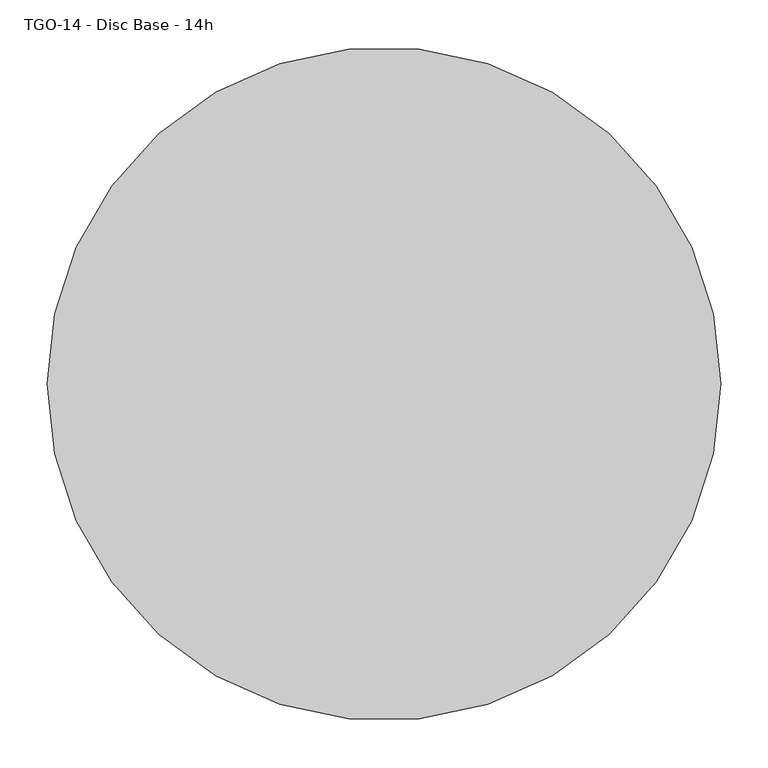
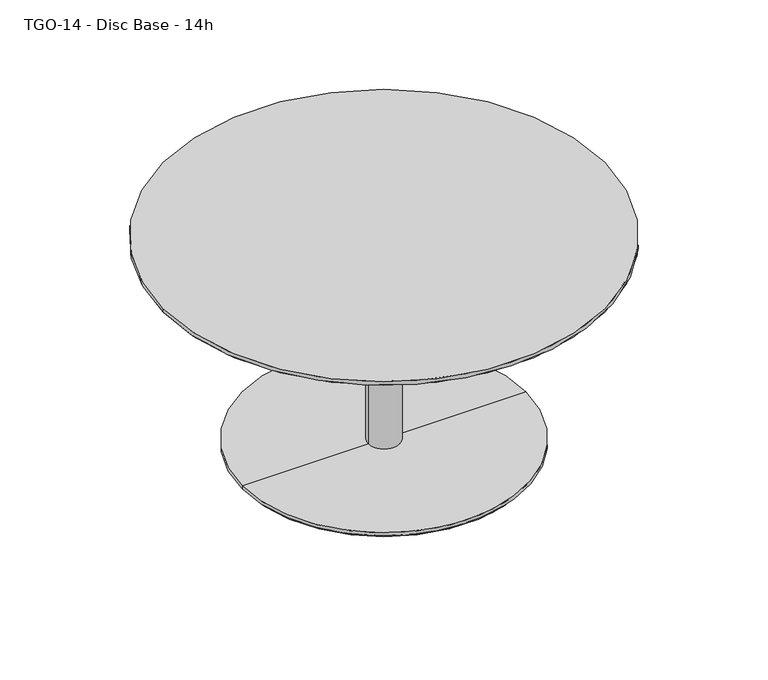
"""IFC4 building model written with IfcOpenShell, lengths in millimetres: furniture geometry, TGO-14 - Disc Base - 14h."""

from ifc_helpers import new_model, si_unit, point, frame, origin, origin_with_axes, origin_2d, place, context, project, spatial, polyline, circle_curve, trimmed, segment, composite_curve, outline, extrude, source, transform, mapped, element, save
from ifc_brep_helpers import plane_surface, cylinder_surface, revolved_surface, advanced_brep


def tgo_14_disc_base_14h_84f5ab08(model_context):
    return source(origin(), model_context, "Body", "SolidModel", [
        advanced_brep(
        [(-355.599986, 0.0, 349.25), (355.599986, 0.0, 349.25), (-317.499986, 0.0, 336.55), (317.499986, 0.0, 336.55)],
        [
            (0, 1, circle_curve(frame((0.0, 0.0, 349.25), z_axis=(0.0, 0.0, 1.0), x_axis=(-1.0, 0.0, 0.0)), 355.599986)),
            (1, 0, circle_curve(frame((0.0, 0.0, 349.25), z_axis=(0.0, 0.0, 1.0), x_axis=(1.0, 0.0, 0.0)), 355.599986)),
            (2, 3, circle_curve(frame((0.0, 0.0, 336.55), z_axis=(0.0, 0.0, -1.0), x_axis=(1.0, 0.0, 0.0)), 317.499986)),
            (3, 2, circle_curve(frame((0.0, 0.0, 336.55), z_axis=(0.0, 0.0, -1.0), x_axis=(-1.0, 0.0, 0.0)), 317.499986)),
            (3, 1),
            (0, 2),
        ],
        [
            plane_surface(frame((0.0, 0.0, 349.25), z_axis=(0.0, 0.0, 1.0), x_axis=(0.0, -1.0, 0.0))),
            plane_surface(frame((0.0, 0.0, 336.55), z_axis=(0.0, 0.0, -1.0), x_axis=(0.0, -1.0, 0.0))),
            revolved_surface(polyline([(317.49998601071434, 0.0, 336.55), (355.599986, 0.0, 349.25)]), (0.0, 0.0, 230.7166713), (0.0, 0.0, 1.0)),
            revolved_surface(polyline([(-317.49998601071434, 0.0, 336.55), (-355.599986, 0.0, 349.25)]), (0.0, 0.0, 230.7166713), (0.0, 0.0, 1.0)),
        ],
        [
            (0, [[1, 2]]),
            (1, [[3, 4]]),
            (2, [[-4, 5, -1, 6]]),
            (3, [[-3, -6, -2, -5]]),
        ],
    ),
        extrude(outline(composite_curve([segment(trimmed(circle_curve(origin_2d(), 355.599986), [point((-355.599986, 0.0))], [point((355.599986, 0.0))], False, "CARTESIAN"), True, "CONTINUOUS"), segment(trimmed(circle_curve(origin_2d(), 355.599986), [point((355.599986, 0.0))], [point((-355.599986, 0.0))], False, "CARTESIAN"), True, "CONTINUOUS")], self_intersect=False)), frame((0.0, 0.0, 349.25), z_axis=(0.0, 0.0, 1.0), x_axis=(1.0, 0.0, 0.0)), (0.0, 0.0, 1.0), 6.35),
        advanced_brep(
        [(-228.5999516, 0.0, 3.9999977), (228.5999516, 0.0, 3.9999977), (224.6000504, 0.0, 0.0), (-224.6000504, 0.0, 0.0), (-228.5999516, 0.0, 9.5249943), (228.5999516, 0.0, 9.5249943), (-25.4, 0.0, 9.5249943), (25.4, 0.0, 9.5249943), (-25.4, 0.0, 336.55), (25.4, 0.0, 336.55), (0.0, 0.0, 336.55), (0.0, 0.0, 0.0)],
        [
            (0, 1, circle_curve(frame((0.0, 0.0, 3.9999977), z_axis=(0.0, 0.0, -1.0), x_axis=(1.0, 0.0, 0.0)), 228.5999516)),
            (1, 2),
            (2, 3, circle_curve(origin_with_axes(), 224.6000504)),
            (3, 0),
            (1, 0, circle_curve(frame((0.0, 0.0, 3.9999977), z_axis=(0.0, 0.0, -1.0), x_axis=(1.0, 0.0, 0.0)), 228.5999516)),
            (3, 2, circle_curve(origin_with_axes(), 224.6000504)),
            (4, 5, circle_curve(frame((0.0, 0.0, 9.5249943), z_axis=(0.0, 0.0, -1.0), x_axis=(1.0, 0.0, 0.0)), 228.5999516)),
            (5, 1),
            (0, 4),
            (5, 4, circle_curve(frame((0.0, 0.0, 9.5249943), z_axis=(0.0, 0.0, -1.0), x_axis=(1.0, 0.0, 0.0)), 228.5999516)),
            (6, 7, circle_curve(frame((0.0, 0.0, 9.5249943), z_axis=(0.0, 0.0, -1.0), x_axis=(1.0, 0.0, 0.0)), 25.4)),
            (7, 5),
            (4, 6),
            (7, 6, circle_curve(frame((0.0, 0.0, 9.5249943), z_axis=(0.0, 0.0, -1.0), x_axis=(1.0, 0.0, 0.0)), 25.4)),
            (8, 9, circle_curve(frame((0.0, 0.0, 336.55), z_axis=(0.0, 0.0, -1.0), x_axis=(1.0, 0.0, 0.0)), 25.4)),
            (9, 7),
            (6, 8),
            (9, 8, circle_curve(frame((0.0, 0.0, 336.55), z_axis=(0.0, 0.0, -1.0), x_axis=(1.0, 0.0, 0.0)), 25.4)),
            (10, 9),
            (8, 10),
            (2, 11),
            (11, 3),
        ],
        [
            revolved_surface(polyline([(224.6000504, 0.0, 0.0), (228.5999516, 0.0, 3.9999977)]), (0.0, 0.0, -14.8746078), (0.0, 0.0, 1.0)),
            cylinder_surface(frame((0.0, 0.0, -14.8746078), z_axis=(0.0, 0.0, 1.0), x_axis=(1.0, 0.0, 0.0)), 228.5999516),
            plane_surface(frame((0.0, 0.0, 9.5249943), z_axis=(0.0, 0.0, 1.0), x_axis=(1.0, 0.0, 0.0))),
            cylinder_surface(frame((0.0, 0.0, -14.8746078), z_axis=(0.0, 0.0, 1.0), x_axis=(1.0, 0.0, 0.0)), 25.4),
            plane_surface(frame((0.0, 0.0, 336.55), z_axis=(0.0, 0.0, 1.0), x_axis=(1.0, 0.0, 0.0))),
            plane_surface(frame((0.0, 0.0, 0.0), z_axis=(0.0, 0.0, -1.0), x_axis=(1.0, 0.0, 0.0))),
        ],
        [
            (0, [[1, 2, 3, 4]]),
            (0, [[5, -4, 6, -2]]),
            (1, [[7, 8, -1, 9]]),
            (1, [[10, -9, -5, -8]]),
            (2, [[11, 12, -7, 13]]),
            (2, [[14, -13, -10, -12]]),
            (3, [[15, 16, -11, 17]]),
            (3, [[18, -17, -14, -16]]),
            (4, [[19, -15, 20]]),
            (4, [[-20, -18, -19]]),
            (5, [[-3, 21, 22]]),
            (5, [[-6, -22, -21]]),
        ],
    ),
    ])


if __name__ == "__main__":
    model = new_model("IFC4")
    model_context = context("Model", 3, world=origin())
    ifc_project = project(units=[si_unit("LENGTHUNIT", "METRE", prefix="MILLI")], contexts=[model_context])
    site = spatial("IfcSite", under=ifc_project)
    building = spatial("IfcBuilding", under=site)
    placement = place(None, origin())
    tgo_14_disc_base_14h_shape = tgo_14_disc_base_14h_84f5ab08(model_context)
    element("IfcFurniture", 1, ObjectType="TGO-14 - Disc Base - 14h", at=placement, inside=building, context=model_context, shape_type="MappedRepresentation", body=[
        mapped(tgo_14_disc_base_14h_shape, transform((0.0, 0.0, 0.0), x_axis=(1.0, 0.0, 0.0), y_axis=(0.0, 1.0, 0.0), z_axis=(0.0, 0.0, 1.0))),
    ])
    save(model, "model.ifc")
